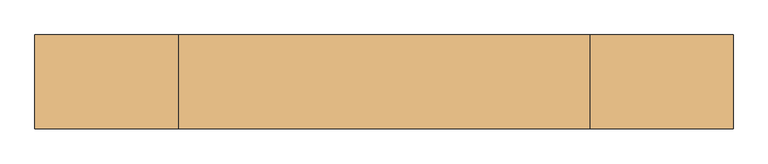
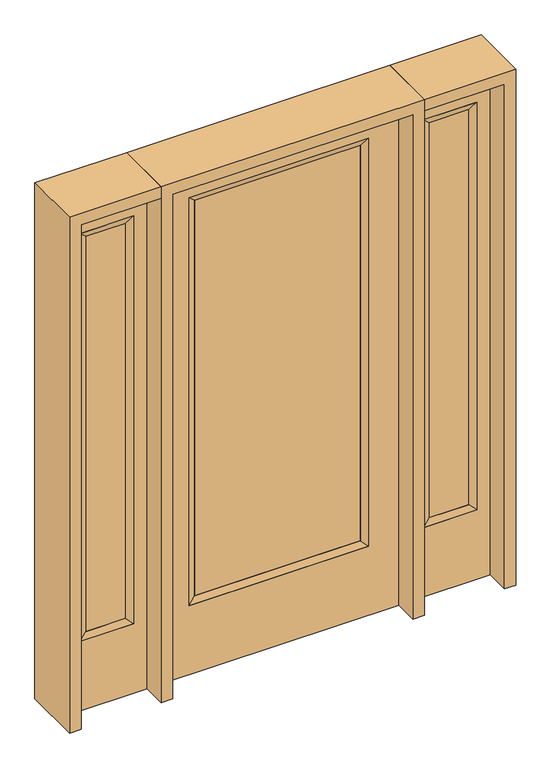
"""IFC4 building model written with IfcOpenShell, lengths in millimetres: door geometry."""

from ifc_helpers import new_model, si_unit, frame, origin, place, context, project, spatial, polyline, outline, extrude, faceted_brep, source, transform, mapped, element, save


def door_e80eaaa5(model_context):
    return source(origin(), model_context, "Body", "SolidModel", [
        extrude(outline(polyline([(316.3824, -12.7039749), (-316.3824, -12.7039749), (-316.3824, 14.2875), (316.3824, 14.2875), (316.3824, -12.7039749)])), frame((0.0, 0.0, 304.8), z_axis=(0.0, 0.0, 1.0), x_axis=(1.0, 0.0, 0.0)), (0.0, 0.0, 1.0), 1590.675),
        faceted_brep([(316.3824, 14.2875, 1895.475), (341.7824, 22.225, 1920.875), (341.7824, 22.225, 279.4), (316.3824, 14.2875, 304.8), (341.7824, -22.225, 1920.875), (341.7824, -22.225, 279.4), (-341.7824, 22.225, 279.4), (-316.3824, 14.2875, 304.8), (316.3824, -12.7039749, 1895.475), (316.3824, -12.7039749, 304.8), (-316.3824, -12.7039749, 304.8), (-341.7824, -22.225, 279.4), (-341.7824, 22.225, 1920.875), (-316.3824, 14.2875, 1895.475), (-316.3824, -12.7039749, 1895.475), (-341.7824, -22.225, 1920.875)], [[[0, 1, 2, 3]], [[1, 4, 5, 2]], [[3, 2, 6, 7]], [[8, 0, 3, 9]], [[9, 3, 7, 10]], [[4, 8, 9, 5]], [[5, 9, 10, 11]], [[2, 5, 11, 6]], [[7, 6, 12, 13]], [[10, 7, 13, 14]], [[11, 10, 14, 15]], [[6, 11, 15, 12]], [[13, 12, 1, 0]], [[14, 13, 0, 8]], [[15, 14, 8, 4]], [[12, 15, 4, 1]]]),
        extrude(outline(polyline([(0.0, -457.2), (0.0, 457.2), (2032.0, 457.2), (2032.0, -457.2), (0.0, -457.2)]), holes=[polyline([(279.4, -341.7824), (1920.875, -341.7824), (1920.875, 341.7824), (279.4, 341.7824), (279.4, -341.7824)])]), frame((0.0, -22.225, 0.0), z_axis=(0.0, 1.0, 0.0), x_axis=(0.0, 0.0, 1.0)), (0.0, 0.0, 1.0), 44.45),
        faceted_brep([(552.45, 20.6375, 1920.875), (552.45, 20.6375, 279.4), (552.45, -20.6375, 279.4), (552.45, -20.6375, 1920.875), (577.85, -12.7, 304.8), (577.85, -12.7, 1895.475), (755.65, 20.6375, 279.4), (755.65, -20.6375, 279.4), (577.85, 12.7, 1895.475), (577.85, 12.7, 304.8), (730.25, 12.7, 304.8), (730.25, -12.7, 304.8), (755.65, 20.6375, 1920.875), (755.65, -20.6375, 1920.875), (730.25, 12.7, 1895.475), (730.25, -12.7, 1895.475)], [[[0, 1, 2, 3]], [[3, 2, 4, 5]], [[1, 6, 7, 2]], [[8, 9, 1, 0]], [[9, 10, 6, 1]], [[5, 4, 9, 8]], [[4, 11, 10, 9]], [[2, 7, 11, 4]], [[6, 12, 13, 7]], [[10, 14, 12, 6]], [[11, 15, 14, 10]], [[7, 13, 15, 11]], [[12, 0, 3, 13]], [[14, 8, 0, 12]], [[15, 5, 8, 14]], [[13, 3, 5, 15]]]),
        extrude(outline(polyline([(0.0, 806.45), (2032.0, 806.45), (2032.0, 501.65), (0.0, 501.65), (0.0, 806.45)]), holes=[polyline([(1920.875, 552.45), (1920.875, 755.65), (279.4, 755.65), (279.4, 552.45), (1920.875, 552.45)])]), frame((0.0, -20.6375, 0.0), z_axis=(0.0, 1.0, 0.0), x_axis=(0.0, 0.0, 1.0)), (0.0, 0.0, 1.0), 41.275),
        extrude(outline(polyline([(577.85, -12.7), (577.85, 12.7), (730.25, 12.7), (730.25, -12.7), (577.85, -12.7)])), frame((0.0, 0.0, 304.8), z_axis=(0.0, 0.0, 1.0), x_axis=(1.0, 0.0, 0.0)), (0.0, 0.0, 1.0), 1590.675),
        faceted_brep([(-552.45, 20.6375, 1920.875), (-552.45, -20.6375, 1920.875), (-552.45, -20.6375, 279.4), (-552.45, 20.6375, 279.4), (-577.85, -12.7, 1895.475), (-577.85, -12.7, 304.8), (-755.65, -20.6375, 279.4), (-755.65, 20.6375, 279.4), (-577.85, 12.7, 1895.475), (-577.85, 12.7, 304.8), (-730.25, 12.7, 304.8), (-730.25, -12.7, 304.8), (-755.65, -20.6375, 1920.875), (-755.65, 20.6375, 1920.875), (-730.25, 12.7, 1895.475), (-730.25, -12.7, 1895.475)], [[[0, 1, 2, 3]], [[1, 4, 5, 2]], [[3, 2, 6, 7]], [[8, 0, 3, 9]], [[9, 3, 7, 10]], [[4, 8, 9, 5]], [[5, 9, 10, 11]], [[2, 5, 11, 6]], [[7, 6, 12, 13]], [[10, 7, 13, 14]], [[11, 10, 14, 15]], [[6, 11, 15, 12]], [[13, 12, 1, 0]], [[14, 13, 0, 8]], [[15, 14, 8, 4]], [[12, 15, 4, 1]]]),
        extrude(outline(polyline([(0.0, -806.45), (0.0, -501.65), (2032.0, -501.65), (2032.0, -806.45), (0.0, -806.45)]), holes=[polyline([(1920.875, -552.45), (279.4, -552.45), (279.4, -755.65), (1920.875, -755.65), (1920.875, -552.45)])]), frame((0.0, -20.6375, 0.0), z_axis=(0.0, 1.0, 0.0), x_axis=(0.0, 0.0, 1.0)), (0.0, 0.0, 1.0), 41.275),
        extrude(outline(polyline([(-577.85, -12.7), (-730.25, -12.7), (-730.25, 12.7), (-577.85, 12.7), (-577.85, -12.7)])), frame((0.0, 0.0, 304.8), z_axis=(0.0, 0.0, 1.0), x_axis=(1.0, 0.0, 0.0)), (0.0, 0.0, 1.0), 1590.675),
        extrude(outline(polyline([(2032.0, -501.65), (2076.45, -501.65), (2076.45, -850.9), (0.0, -850.9), (0.0, -806.45), (2032.0, -806.45), (2032.0, -501.65)])), frame((0.0, -114.3, 0.0), z_axis=(0.0, 1.0, 0.0), x_axis=(0.0, 0.0, 1.0)), (0.0, 0.0, 1.0), 228.6),
        extrude(outline(polyline([(2076.45, -501.65), (0.0, -501.65), (0.0, -457.2), (2032.0, -457.2), (2032.0, 457.2), (0.0, 457.2), (0.0, 501.65), (2076.45, 501.65), (2076.45, -501.65)])), frame((0.0, -114.3, 0.0), z_axis=(0.0, 1.0, 0.0), x_axis=(0.0, 0.0, 1.0)), (0.0, 0.0, 1.0), 228.6),
        extrude(outline(polyline([(0.0, 806.45), (0.0, 850.9), (2076.45, 850.9), (2076.45, 501.65), (2032.0, 501.65), (2032.0, 806.45), (0.0, 806.45)])), frame((0.0, -114.3, 0.0), z_axis=(0.0, 1.0, 0.0), x_axis=(0.0, 0.0, 1.0)), (0.0, 0.0, 1.0), 228.6),
    ])


if __name__ == "__main__":
    model = new_model("IFC4")
    model_context = context("Model", 3, world=origin())
    ifc_project = project(units=[si_unit("LENGTHUNIT", "METRE", prefix="MILLI")], contexts=[model_context])
    site = spatial("IfcSite", under=ifc_project)
    building = spatial("IfcBuilding", under=site)
    placement = place(None, origin())
    door_shape = door_e80eaaa5(model_context)
    element("IfcDoor", 1, at=placement, inside=building, context=model_context, shape_type="MappedRepresentation", body=[
        mapped(door_shape, transform((0.0, 0.0, 0.0), x_axis=(1.0, 0.0, 0.0), y_axis=(0.0, 1.0, 0.0), z_axis=(0.0, 0.0, 1.0))),
    ])
    save(model, "model.ifc")
